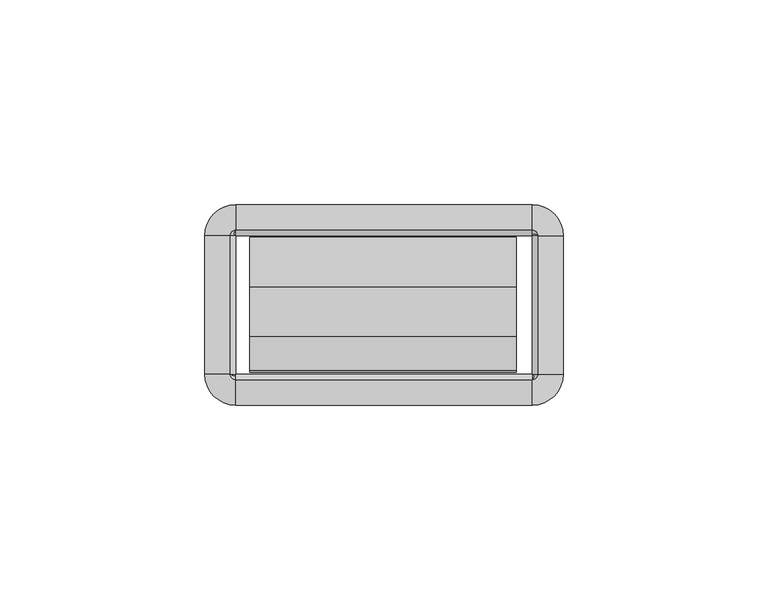
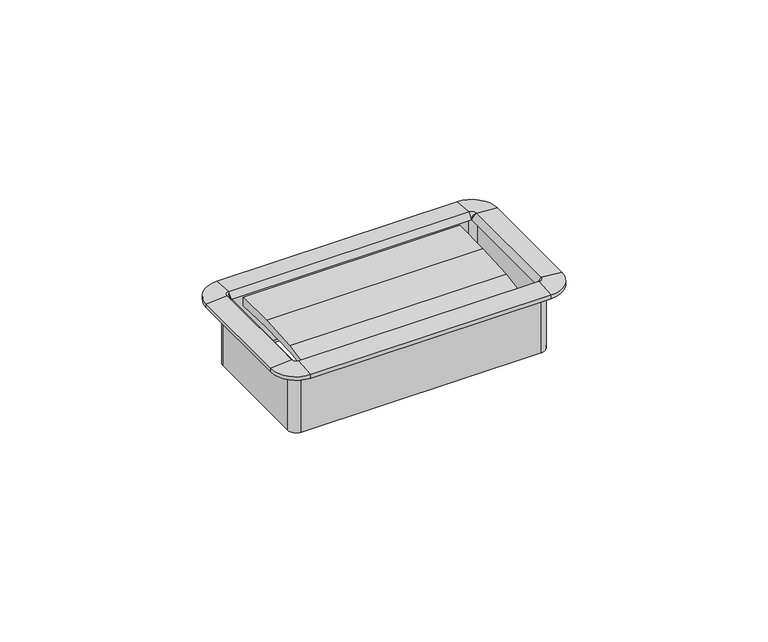
"""IFC4 building model written with IfcOpenShell, lengths in millimetres: furniture geometry."""

from ifc_helpers import new_model, si_unit, frame, origin, place, context, project, spatial, polyline, circle_curve, outline, extrude, source, transform, mapped, element, save
from ifc_brep_helpers import plane_surface, cylinder_surface, revolved_surface, advanced_brep


def furniture_f55345fa(model_context):
    return source(origin(), model_context, "Body", "SolidModel", [
        extrude(outline(polyline([(-27.4015977, -2.9286537), (-35.841251, -3.9922238), (-35.4230807, -2.6142757), (-27.1272776, -1.0752599), (-15.0207956, -0.2816924), (-2.8884162, -0.2365972), (-2.9633248, -2.9947485), (-15.1814712, -2.5957645), (-27.4015977, -2.9286537)])), frame((-32.8496732, 0.0, 0.0), z_axis=(1.0, 0.0, 0.0), x_axis=(0.0, 1.0, 0.0)), (0.0, 0.0, 1.0), 65.1763996),
        advanced_brep(
        [(37.8602578, -2.54, 0.0), (36.1704551, -0.8501974, 0.0), (36.1704551, -0.8501974, -18.8468), (37.8602578, -2.54, -18.8468), (37.5244377, -2.54, 1.6652454), (36.1704551, -1.1860174, 1.6652454), (36.1704551, -2.5172282, 0.0), (43.7913825, -2.54, 1.143), (36.1704551, 5.0809274, 1.143), (43.7913825, -2.54, 0.0), (36.1704551, 5.0809274, 0.0), (38.7104551, -2.54, -20.3200011), (36.1704551, 0.0, -20.3200011), (36.1704551, 0.0, 0.0), (38.7104551, -2.54, 0.0), (37.8602578, -36.2712, -18.8468), (37.8602578, -36.2712, 0.0), (36.1932269, -36.2712, 0.0), (37.5244377, -36.2712, 1.6652454), (43.7913825, -36.2712, 1.143), (43.7913825, -36.2712, 0.0), (38.7104551, -36.2712, 0.0), (38.7104551, -36.2712, -20.3200011), (36.1704551, -37.9610026, 0.0), (36.1704551, -37.9610026, -18.8468), (36.1704551, -37.6251826, 1.6652454), (36.1704551, -43.8921274, 1.143), (36.1704551, -43.8921274, 0.0), (36.1704551, -38.8112, -20.3200011), (36.1704551, -38.8112, 0.0), (-36.1687428, -37.9610026, -18.8468), (-36.1687428, -37.9610026, 0.0), (-36.1687428, -36.2939718, 0.0), (-36.1687428, -37.6251826, 1.6652454), (-36.1687428, -43.8921274, 1.143), (-36.1687428, -43.8921274, 0.0), (-36.1687428, -38.8112, 0.0), (-36.1687428, -38.8112, -20.3200011), (-37.8585455, -36.2712, 0.0), (-37.8585455, -36.2712, -18.8468), (-37.5227254, -36.2712, 1.6652454), (-43.7896702, -36.2712, 1.143), (-43.7896702, -36.2712, 0.0), (-38.7087428, -36.2712, -20.3200011), (-38.7087428, -36.2712, 0.0), (-37.8585455, -2.54, -18.8468), (-37.8585455, -2.54, 0.0), (-36.1915146, -2.54, 0.0), (-37.5227254, -2.54, 1.6652454), (-43.7896702, -2.54, 1.143), (-43.7896702, -2.54, 0.0), (-38.7087428, -2.54, 0.0), (-38.7087428, -2.54, -20.3200011), (-36.1687428, -0.8501974, 0.0), (-36.1687428, -0.8501974, -18.8468), (-36.1687428, -1.1860174, 1.6652454), (-36.1687428, 5.0809274, 1.143), (-36.1687428, 5.0809274, 0.0), (-36.1687428, 0.0, -20.3200011), (-36.1687428, 0.0, 0.0), (38.6519521, -2.54, -18.8468), (36.1704551, -0.058503, -18.8468), (38.6519521, -36.2712, -18.8468), (36.1704551, -38.752697, -18.8468), (-36.1687428, -38.752697, -18.8468), (-38.6502398, -36.2712, -18.8468), (-38.6502398, -2.54, -18.8468), (-36.1687428, -0.058503, -18.8468)],
        [
            (0, 1, circle_curve(frame((36.1704551, -2.54, 0.0), z_axis=(0.0, 0.0, 1.0), x_axis=(0.0, 1.0, 0.0)), 1.6898026)),
            (1, 2),
            (2, 3, circle_curve(frame((36.1704551, -2.54, -18.8468), z_axis=(0.0, 0.0, -1.0), x_axis=(0.0, 1.0, 0.0)), 1.6898026)),
            (3, 0),
            (4, 5, circle_curve(frame((36.1704551, -2.54, 1.6652454), z_axis=(0.0, 0.0, 1.0), x_axis=(0.0, 1.0, 0.0)), 1.3539826)),
            (5, 6),
            (6, 4),
            (7, 8, circle_curve(frame((36.1704551, -2.54, 1.143), z_axis=(0.0, 0.0, 1.0), x_axis=(0.0, 1.0, 0.0)), 7.6209274)),
            (8, 5),
            (4, 7),
            (9, 10, circle_curve(frame((36.1704551, -2.54, 0.0), z_axis=(0.0, 0.0, 1.0), x_axis=(0.0, 1.0, 0.0)), 7.6209274)),
            (10, 8),
            (7, 9),
            (11, 12, circle_curve(frame((36.1704551, -2.54, -20.3200011), z_axis=(0.0, 0.0, 1.0), x_axis=(0.0, 1.0, 0.0)), 2.54)),
            (12, 13),
            (13, 14, circle_curve(frame((36.1704551, -2.54, 0.0), z_axis=(0.0, 0.0, -1.0), x_axis=(0.0, 1.0, 0.0)), 2.54)),
            (14, 11),
            (3, 15),
            (15, 16),
            (16, 0),
            (6, 17),
            (17, 18),
            (18, 4),
            (18, 19),
            (19, 7),
            (19, 20),
            (20, 9),
            (14, 21),
            (21, 22),
            (22, 11),
            (23, 16, circle_curve(frame((36.1704551, -36.2712, 0.0), z_axis=(0.0, 0.0, 1.0), x_axis=(1.0, 0.0, 0.0)), 1.6898026)),
            (15, 24, circle_curve(frame((36.1704551, -36.2712, -18.8468), z_axis=(0.0, 0.0, -1.0), x_axis=(1.0, 0.0, 0.0)), 1.6898026)),
            (24, 23),
            (25, 18, circle_curve(frame((36.1704551, -36.2712, 1.6652454), z_axis=(0.0, 0.0, 1.0), x_axis=(1.0, 0.0, 0.0)), 1.3539826)),
            (17, 25),
            (26, 19, circle_curve(frame((36.1704551, -36.2712, 1.143), z_axis=(0.0, 0.0, 1.0), x_axis=(1.0, 0.0, 0.0)), 7.6209274)),
            (25, 26),
            (27, 20, circle_curve(frame((36.1704551, -36.2712, 0.0), z_axis=(0.0, 0.0, 1.0), x_axis=(1.0, 0.0, 0.0)), 7.6209274)),
            (26, 27),
            (28, 22, circle_curve(frame((36.1704551, -36.2712, -20.3200011), z_axis=(0.0, 0.0, 1.0), x_axis=(1.0, 0.0, 0.0)), 2.54)),
            (21, 29, circle_curve(frame((36.1704551, -36.2712, 0.0), z_axis=(0.0, 0.0, -1.0), x_axis=(1.0, 0.0, 0.0)), 2.54)),
            (29, 28),
            (24, 30),
            (30, 31),
            (31, 23),
            (17, 32),
            (32, 33),
            (33, 25),
            (33, 34),
            (34, 26),
            (34, 35),
            (35, 27),
            (29, 36),
            (36, 37),
            (37, 28),
            (38, 31, circle_curve(frame((-36.1687428, -36.2712, 0.0), z_axis=(0.0, 0.0, 1.0), x_axis=(0.0, -1.0, 0.0)), 1.6898026)),
            (30, 39, circle_curve(frame((-36.1687428, -36.2712, -18.8468), z_axis=(0.0, 0.0, -1.0), x_axis=(0.0, -1.0, 0.0)), 1.6898026)),
            (39, 38),
            (40, 33, circle_curve(frame((-36.1687428, -36.2712, 1.6652454), z_axis=(0.0, 0.0, 1.0), x_axis=(0.0, -1.0, 0.0)), 1.3539826)),
            (32, 40),
            (41, 34, circle_curve(frame((-36.1687428, -36.2712, 1.143), z_axis=(0.0, 0.0, 1.0), x_axis=(0.0, -1.0, 0.0)), 7.6209274)),
            (40, 41),
            (42, 35, circle_curve(frame((-36.1687428, -36.2712, 0.0), z_axis=(0.0, 0.0, 1.0), x_axis=(0.0, -1.0, 0.0)), 7.6209274)),
            (41, 42),
            (43, 37, circle_curve(frame((-36.1687428, -36.2712, -20.3200011), z_axis=(0.0, 0.0, 1.0), x_axis=(0.0, -1.0, 0.0)), 2.54)),
            (36, 44, circle_curve(frame((-36.1687428, -36.2712, 0.0), z_axis=(0.0, 0.0, -1.0), x_axis=(0.0, -1.0, 0.0)), 2.54)),
            (44, 43),
            (39, 45),
            (45, 46),
            (46, 38),
            (32, 47),
            (47, 48),
            (48, 40),
            (48, 49),
            (49, 41),
            (49, 50),
            (50, 42),
            (44, 51),
            (51, 52),
            (52, 43),
            (53, 46, circle_curve(frame((-36.1687428, -2.54, 0.0), z_axis=(0.0, 0.0, 1.0), x_axis=(-1.0, 0.0, 0.0)), 1.6898026)),
            (45, 54, circle_curve(frame((-36.1687428, -2.54, -18.8468), z_axis=(0.0, 0.0, -1.0), x_axis=(-1.0, 0.0, 0.0)), 1.6898026)),
            (54, 53),
            (55, 48, circle_curve(frame((-36.1687428, -2.54, 1.6652454), z_axis=(0.0, 0.0, 1.0), x_axis=(-1.0, 0.0, 0.0)), 1.3539826)),
            (47, 55),
            (56, 49, circle_curve(frame((-36.1687428, -2.54, 1.143), z_axis=(0.0, 0.0, 1.0), x_axis=(-1.0, 0.0, 0.0)), 7.6209274)),
            (55, 56),
            (57, 50, circle_curve(frame((-36.1687428, -2.54, 0.0), z_axis=(0.0, 0.0, 1.0), x_axis=(-1.0, 0.0, 0.0)), 7.6209274)),
            (56, 57),
            (58, 52, circle_curve(frame((-36.1687428, -2.54, -20.3200011), z_axis=(0.0, 0.0, 1.0), x_axis=(-1.0, 0.0, 0.0)), 2.54)),
            (51, 59, circle_curve(frame((-36.1687428, -2.54, 0.0), z_axis=(0.0, 0.0, -1.0), x_axis=(-1.0, 0.0, 0.0)), 2.54)),
            (59, 58),
            (54, 2),
            (1, 53),
            (6, 47),
            (5, 55),
            (8, 56),
            (10, 57),
            (13, 59),
            (12, 58),
            (60, 61, circle_curve(frame((36.1704551, -2.54, -18.8468), z_axis=(0.0, 0.0, 1.0), x_axis=(0.0, 1.0, 0.0)), 2.481497)),
            (61, 12),
            (11, 60),
            (22, 62),
            (62, 60),
            (63, 62, circle_curve(frame((36.1704551, -36.2712, -18.8468), z_axis=(0.0, 0.0, 1.0), x_axis=(1.0, 0.0, 0.0)), 2.481497)),
            (28, 63),
            (37, 64),
            (64, 63),
            (65, 64, circle_curve(frame((-36.1687428, -36.2712, -18.8468), z_axis=(0.0, 0.0, 1.0), x_axis=(0.0, -1.0, 0.0)), 2.481497)),
            (43, 65),
            (52, 66),
            (66, 65),
            (67, 66, circle_curve(frame((-36.1687428, -2.54, -18.8468), z_axis=(0.0, 0.0, 1.0), x_axis=(-1.0, 0.0, 0.0)), 2.481497)),
            (58, 67),
            (61, 67),
        ],
        [
            revolved_surface(polyline([(36.1704551, -0.8501974000000001, -18.8468), (36.1704551, -0.8501974000000001, 0.0)]), (36.1704551, -2.54, 0.0), (0.0, 0.0, -1.0)),
            revolved_surface(polyline([(36.1704551, -2.5172282, 0.0), (36.1704551, -1.1860174, 1.6652454)]), (36.1704551, -2.54, 0.0), (0.0, 0.0, -1.0)),
            revolved_surface(polyline([(36.1704551, -1.1860174, 1.6652454), (36.1704551, 5.0809274, 1.143)]), (36.1704551, -2.54, 0.0), (0.0, 0.0, -1.0)),
            cylinder_surface(frame((36.1704551, -2.54, 0.0), z_axis=(0.0, 0.0, -1.0), x_axis=(0.0, 1.0, 0.0)), 7.6209274),
            cylinder_surface(frame((36.1704551, -2.54, 0.0), z_axis=(0.0, 0.0, -1.0), x_axis=(0.0, 1.0, 0.0)), 2.54),
            plane_surface(frame((37.8602578, -2.54, -18.8468), z_axis=(-1.0, 0.0, 0.0), x_axis=(0.0, -1.0, 0.0))),
            plane_surface(frame((36.1932269, -2.54, 0.0), z_axis=(-0.781094262285867, 0.0, 0.6244131272035345), x_axis=(0.0, -1.0, 0.0))),
            plane_surface(frame((37.5244377, -2.54, 1.6652454), z_axis=(0.0830454808138093, 0.0, 0.9965457581648739), x_axis=(0.0, -1.0, 0.0))),
            plane_surface(frame((43.7913825, -2.54, 1.143), z_axis=(1.0, 0.0, 0.0), x_axis=(0.0, -1.0, 0.0))),
            plane_surface(frame((38.7104551, -2.54, 0.0), z_axis=(1.0, 0.0, 0.0), x_axis=(0.0, -1.0, 0.0))),
            revolved_surface(polyline([(37.8602577, -36.2712, -18.8468), (37.8602577, -36.2712, 0.0)]), (36.1704551, -36.2712, 0.0), (0.0, 0.0, -1.0)),
            revolved_surface(polyline([(36.1932269, -36.2712, 0.0), (37.5244377, -36.2712, 1.6652454)]), (36.1704551, -36.2712, 0.0), (0.0, 0.0, -1.0)),
            revolved_surface(polyline([(37.5244377, -36.2712, 1.6652454), (43.7913825, -36.2712, 1.143)]), (36.1704551, -36.2712, 0.0), (0.0, 0.0, -1.0)),
            cylinder_surface(frame((36.1704551, -36.2712, 0.0), z_axis=(0.0, 0.0, -1.0), x_axis=(1.0, 0.0, 0.0)), 7.6209274),
            cylinder_surface(frame((36.1704551, -36.2712, 0.0), z_axis=(0.0, 0.0, -1.0), x_axis=(1.0, 0.0, 0.0)), 2.54),
            plane_surface(frame((36.1704551, -37.9610026, -18.8468), z_axis=(0.0, 1.0, 0.0), x_axis=(-1.0, 0.0, 0.0))),
            plane_surface(frame((36.1704551, -36.2939718, 0.0), z_axis=(0.0, 0.7810942622858689, 0.624413127203532), x_axis=(-1.0, 0.0, 0.0))),
            plane_surface(frame((36.1704551, -37.6251826, 1.6652454), z_axis=(0.0, -0.08304548081380624, 0.9965457581648741), x_axis=(-1.0, 0.0, 0.0))),
            plane_surface(frame((36.1704551, -43.8921274, 1.143), z_axis=(0.0, -1.0, 0.0), x_axis=(-1.0, 0.0, 0.0))),
            plane_surface(frame((36.1704551, -38.8112, 0.0), z_axis=(0.0, -1.0, 0.0), x_axis=(-1.0, 0.0, 0.0))),
            revolved_surface(polyline([(-36.1687428, -37.9610026, -18.8468), (-36.1687428, -37.9610026, 0.0)]), (-36.1687428, -36.2712, 0.0), (0.0, 0.0, -1.0)),
            revolved_surface(polyline([(-36.1687428, -36.2939718, 0.0), (-36.1687428, -37.6251826, 1.6652454)]), (-36.1687428, -36.2712, 0.0), (0.0, 0.0, -1.0)),
            revolved_surface(polyline([(-36.1687428, -37.6251826, 1.6652454), (-36.1687428, -43.8921274, 1.143)]), (-36.1687428, -36.2712, 0.0), (0.0, 0.0, -1.0)),
            cylinder_surface(frame((-36.1687428, -36.2712, 0.0), z_axis=(0.0, 0.0, -1.0), x_axis=(0.0, -1.0, 0.0)), 7.6209274),
            cylinder_surface(frame((-36.1687428, -36.2712, 0.0), z_axis=(0.0, 0.0, -1.0), x_axis=(0.0, -1.0, 0.0)), 2.54),
            plane_surface(frame((-37.8585455, -36.2712, -18.8468), z_axis=(1.0, 0.0, 0.0), x_axis=(0.0, 1.0, 0.0))),
            plane_surface(frame((-36.1915146, -36.2712, 0.0), z_axis=(0.7810942622858709, 0.0, 0.6244131272035297), x_axis=(0.0, 1.0, 0.0))),
            plane_surface(frame((-37.5227254, -36.2712, 1.6652454), z_axis=(-0.08304548081380318, 0.0, 0.9965457581648745), x_axis=(0.0, 1.0, 0.0))),
            plane_surface(frame((-43.7896702, -36.2712, 1.143), z_axis=(-1.0, 0.0, 0.0), x_axis=(0.0, 1.0, 0.0))),
            plane_surface(frame((-38.7087428, -36.2712, 0.0), z_axis=(-1.0, 0.0, 0.0), x_axis=(0.0, 1.0, 0.0))),
            revolved_surface(polyline([(-37.8585454, -2.54, -18.8468), (-37.8585454, -2.54, 0.0)]), (-36.1687428, -2.54, 0.0), (0.0, 0.0, -1.0)),
            revolved_surface(polyline([(-36.1915146, -2.54, 0.0), (-37.5227254, -2.54, 1.6652454)]), (-36.1687428, -2.54, 0.0), (0.0, 0.0, -1.0)),
            revolved_surface(polyline([(-37.5227254, -2.54, 1.6652454), (-43.7896702, -2.54, 1.143)]), (-36.1687428, -2.54, 0.0), (0.0, 0.0, -1.0)),
            cylinder_surface(frame((-36.1687428, -2.54, 0.0), z_axis=(0.0, 0.0, -1.0), x_axis=(-1.0, 0.0, 0.0)), 7.6209274),
            cylinder_surface(frame((-36.1687428, -2.54, 0.0), z_axis=(0.0, 0.0, -1.0), x_axis=(-1.0, 0.0, 0.0)), 2.54),
            plane_surface(frame((-36.1687428, -0.8501974, -18.8468), z_axis=(0.0, -1.0, 0.0), x_axis=(1.0, 0.0, 0.0))),
            plane_surface(frame((-36.1687428, -0.8501974, 0.0), z_axis=(0.0, 0.0, -1.0), x_axis=(1.0, 0.0, 0.0))),
            plane_surface(frame((-36.1687428, -2.5172282, 0.0), z_axis=(0.0, -0.7810942622858689, 0.6244131272035321), x_axis=(1.0, 0.0, 0.0))),
            plane_surface(frame((-36.1687428, -1.1860174, 1.6652454), z_axis=(0.0, 0.08304548081380625, 0.9965457581648742), x_axis=(1.0, 0.0, 0.0))),
            plane_surface(frame((-36.1687428, 5.0809274, 1.143), z_axis=(0.0, 1.0, 0.0), x_axis=(1.0, 0.0, 0.0))),
            plane_surface(frame((-36.1687428, 5.0809274, 0.0), z_axis=(0.0, 0.0, -1.0), x_axis=(1.0, 0.0, 0.0))),
            plane_surface(frame((-36.1687428, 0.0, 0.0), z_axis=(0.0, 1.0, 0.0), x_axis=(1.0, 0.0, 0.0))),
            revolved_surface(polyline([(36.1704551, 0.0, -20.3200011), (36.1704551, -0.058503, -18.8468)]), (36.1704551, -2.54, 0.0), (0.0, 0.0, -1.0)),
            plane_surface(frame((38.7104551, -2.54, -20.3200011), z_axis=(-0.9992124303949472, 0.0, -0.039680208470004225), x_axis=(0.0, -1.0, 0.0))),
            revolved_surface(polyline([(38.7104551, -36.2712, -20.3200011), (38.6519521, -36.2712, -18.8468)]), (36.1704551, -36.2712, 0.0), (0.0, 0.0, -1.0)),
            plane_surface(frame((36.1704551, -38.8112, -20.3200011), z_axis=(0.0, 0.9992124303949471, -0.0396802084700073), x_axis=(-1.0, 0.0, 0.0))),
            revolved_surface(polyline([(-36.1687428, -38.8112, -20.3200011), (-36.1687428, -38.752697, -18.8468)]), (-36.1687428, -36.2712, 0.0), (0.0, 0.0, -1.0)),
            plane_surface(frame((-38.7087428, -36.2712, -20.3200011), z_axis=(0.999212430394947, 0.0, -0.03968020847001037), x_axis=(0.0, 1.0, 0.0))),
            revolved_surface(polyline([(-38.7087428, -2.54, -20.3200011), (-38.6502398, -2.54, -18.8468)]), (-36.1687428, -2.54, 0.0), (0.0, 0.0, -1.0)),
            plane_surface(frame((-36.1687428, 0.0, -20.3200011), z_axis=(0.0, -0.9992124303949471, -0.0396802084700073), x_axis=(1.0, 0.0, 0.0))),
            plane_surface(frame((-36.1687428, -0.058503, -18.8468), z_axis=(0.0, 0.0, -1.0), x_axis=(1.0, 0.0, 0.0))),
        ],
        [
            (0, [[1, 2, 3, 4]]),
            (1, [[5, 6, 7]]),
            (2, [[8, 9, -5, 10]]),
            (3, [[11, 12, -8, 13]]),
            (4, [[14, 15, 16, 17]]),
            (5, [[-4, 18, 19, 20]]),
            (6, [[-7, 21, 22, 23]]),
            (7, [[-10, -23, 24, 25]]),
            (8, [[-13, -25, 26, 27]]),
            (9, [[-17, 28, 29, 30]]),
            (10, [[31, -19, 32, 33]]),
            (11, [[34, -22, 35]]),
            (12, [[36, -24, -34, 37]]),
            (13, [[38, -26, -36, 39]]),
            (14, [[40, -29, 41, 42]]),
            (15, [[-33, 43, 44, 45]]),
            (16, [[-35, 46, 47, 48]]),
            (17, [[-37, -48, 49, 50]]),
            (18, [[-39, -50, 51, 52]]),
            (19, [[-42, 53, 54, 55]]),
            (20, [[56, -44, 57, 58]]),
            (21, [[59, -47, 60]]),
            (22, [[61, -49, -59, 62]]),
            (23, [[63, -51, -61, 64]]),
            (24, [[65, -54, 66, 67]]),
            (25, [[-58, 68, 69, 70]]),
            (26, [[-60, 71, 72, 73]]),
            (27, [[-62, -73, 74, 75]]),
            (28, [[-64, -75, 76, 77]]),
            (29, [[-67, 78, 79, 80]]),
            (30, [[81, -69, 82, 83]]),
            (31, [[84, -72, 85]]),
            (32, [[86, -74, -84, 87]]),
            (33, [[88, -76, -86, 89]]),
            (34, [[90, -79, 91, 92]]),
            (35, [[-83, 93, -2, 94]]),
            (36, [[-70, -81, -94, -1, -20, -31, -45, -56], [95, -71, -46, -21]]),
            (37, [[-85, -95, -6, 96]]),
            (38, [[-87, -96, -9, 97]]),
            (39, [[-89, -97, -12, 98]]),
            (40, [[-77, -88, -98, -11, -27, -38, -52, -63], [99, -91, -78, -66, -53, -41, -28, -16]]),
            (41, [[-92, -99, -15, 100]]),
            (42, [[101, 102, -14, 103]]),
            (43, [[-103, -30, 104, 105]]),
            (44, [[106, -104, -40, 107]]),
            (45, [[-107, -55, 108, 109]]),
            (46, [[110, -108, -65, 111]]),
            (47, [[-111, -80, 112, 113]]),
            (48, [[114, -112, -90, 115]]),
            (49, [[-115, -100, -102, 116]]),
            (50, [[-113, -114, -116, -101, -105, -106, -109, -110], [-93, -82, -68, -57, -43, -32, -18, -3]]),
        ],
    ),
    ])


if __name__ == "__main__":
    model = new_model("IFC4")
    model_context = context("Model", 3, world=origin())
    ifc_project = project(units=[si_unit("LENGTHUNIT", "METRE", prefix="MILLI")], contexts=[model_context])
    site = spatial("IfcSite", under=ifc_project)
    building = spatial("IfcBuilding", under=site)
    placement = place(None, origin())
    furniture_shape = furniture_f55345fa(model_context)
    element("IfcFurniture", 1, at=placement, inside=building, context=model_context, shape_type="MappedRepresentation", body=[
        mapped(furniture_shape, transform((0.0, 0.0, 0.0), x_axis=(1.0, 0.0, 0.0), y_axis=(0.0, 1.0, 0.0), z_axis=(0.0, 0.0, 1.0))),
    ])
    save(model, "model.ifc")
